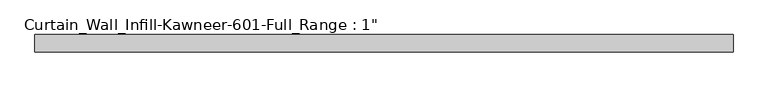
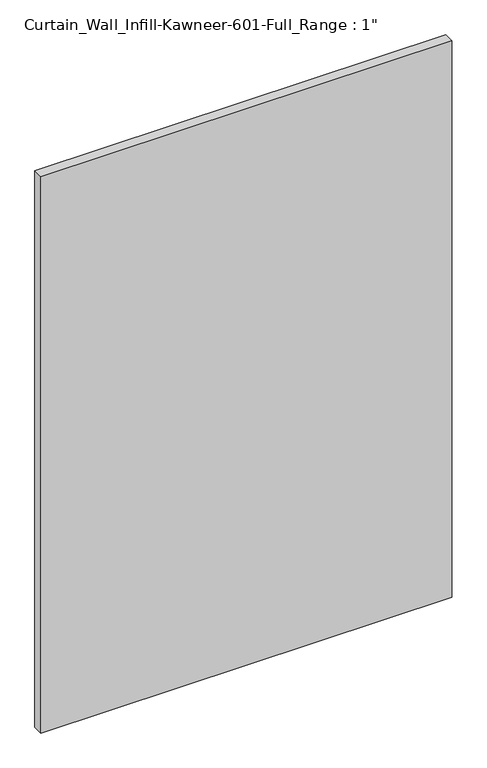
"""IFC4 building model written with IfcOpenShell, lengths in millimetres: plate geometry."""

from ifc_helpers import new_model, si_unit, origin, origin_with_axes, place, context, project, spatial, polyline, outline, extrude, source, transform, mapped, element, save


def plate_2dcc3e2f(model_context):
    return source(origin(), model_context, "Body", "SweptSolid", [
        extrude(outline(polyline([(-508.0, -12.7), (-508.0, 12.7), (508.0, 12.7), (508.0, -12.7), (-508.0, -12.7)])), origin_with_axes(), (0.0, 0.0, 1.0), 1454.15),
    ])


if __name__ == "__main__":
    model = new_model("IFC4")
    model_context = context("Model", 3, world=origin())
    ifc_project = project(units=[si_unit("LENGTHUNIT", "METRE", prefix="MILLI")], contexts=[model_context])
    site = spatial("IfcSite", under=ifc_project)
    building = spatial("IfcBuilding", under=site)
    placement = place(None, origin())
    plate_shape = plate_2dcc3e2f(model_context)
    element("IfcPlate", 1, ObjectType="Curtain_Wall_Infill-Kawneer-601-Full_Range : 1\"", at=placement, inside=building, context=model_context, shape_type="MappedRepresentation", body=[
        mapped(plate_shape, transform((0.0, 0.0, 0.0), x_axis=(1.0, 0.0, 0.0), y_axis=(0.0, 1.0, 0.0), z_axis=(0.0, 0.0, 1.0))),
    ])
    save(model, "model.ifc")
